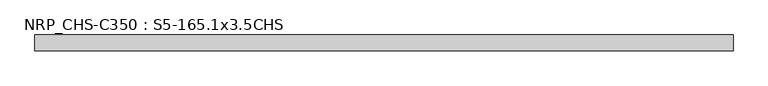
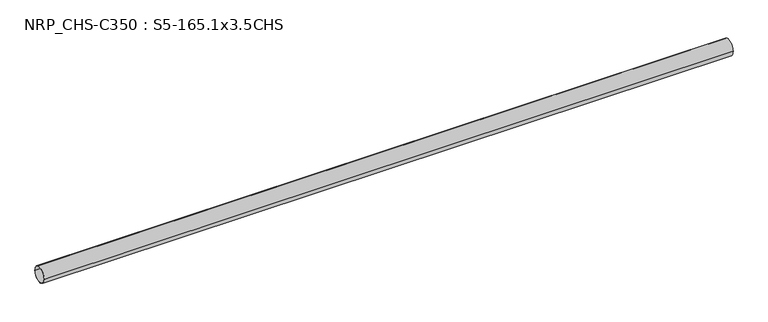
"""IFC4 building model written with IfcOpenShell, lengths in millimetres: beam geometry, NRP_CHS-C350 : S5-165.1x3.5CHS."""

from ifc_helpers import new_model, si_unit, point, frame, origin, origin_2d, place, context, project, spatial, circle_curve, trimmed, segment, composite_curve, outline, extrude, source, transform, mapped, element, save


def nrp_chs_c350_s5_165_1x3_5chs_31dfb56f(model_context):
    return source(origin(), model_context, "Body", "SweptSolid", [
        extrude(outline(composite_curve([segment(trimmed(circle_curve(origin_2d(), 82.55), [point((-82.55, 0.0))], [point((82.55, 0.0))], False, "CARTESIAN"), True, "CONTINUOUS"), segment(trimmed(circle_curve(origin_2d(), 82.55), [point((82.55, 0.0))], [point((-82.55, 0.0))], False, "CARTESIAN"), True, "CONTINUOUS")], self_intersect=False), holes=[composite_curve([segment(trimmed(circle_curve(origin_2d(), 79.05), [point((79.05, 0.0))], [point((-79.05, 0.0))], True, "CARTESIAN"), True, "CONTINUOUS"), segment(trimmed(circle_curve(origin_2d(), 79.05), [point((-79.05, 0.0))], [point((79.05, 0.0))], True, "CARTESIAN"), True, "CONTINUOUS")], self_intersect=False)]), frame((-3566.95, 0.0, 0.0), z_axis=(1.0, 0.0, 0.0), x_axis=(0.0, 1.0, 0.0)), (0.0, 0.0, 1.0), 7167.5),
    ])


if __name__ == "__main__":
    model = new_model("IFC4")
    model_context = context("Model", 3, world=origin())
    ifc_project = project(units=[si_unit("LENGTHUNIT", "METRE", prefix="MILLI")], contexts=[model_context])
    site = spatial("IfcSite", under=ifc_project)
    building = spatial("IfcBuilding", under=site)
    placement = place(None, origin())
    nrp_chs_c350_s5_165_1x3_5chs_shape = nrp_chs_c350_s5_165_1x3_5chs_31dfb56f(model_context)
    element("IfcBeam", 1, ObjectType="NRP_CHS-C350 : S5-165.1x3.5CHS", at=placement, inside=building, context=model_context, shape_type="MappedRepresentation", body=[
        mapped(nrp_chs_c350_s5_165_1x3_5chs_shape, transform((0.0, 0.0, 0.0), x_axis=(1.0, 0.0, 0.0), y_axis=(0.0, 1.0, 0.0), z_axis=(0.0, 0.0, 1.0))),
    ])
    save(model, "model.ifc")
